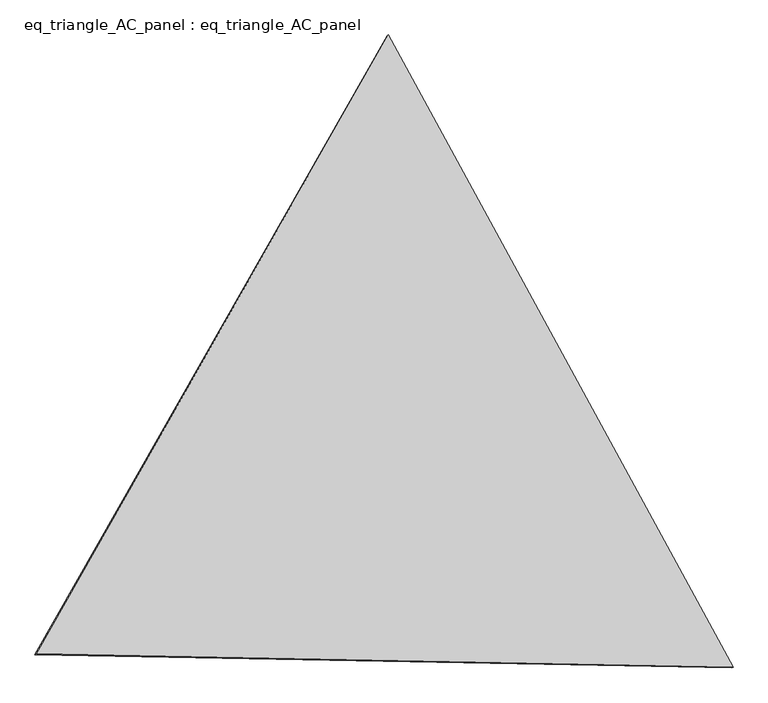
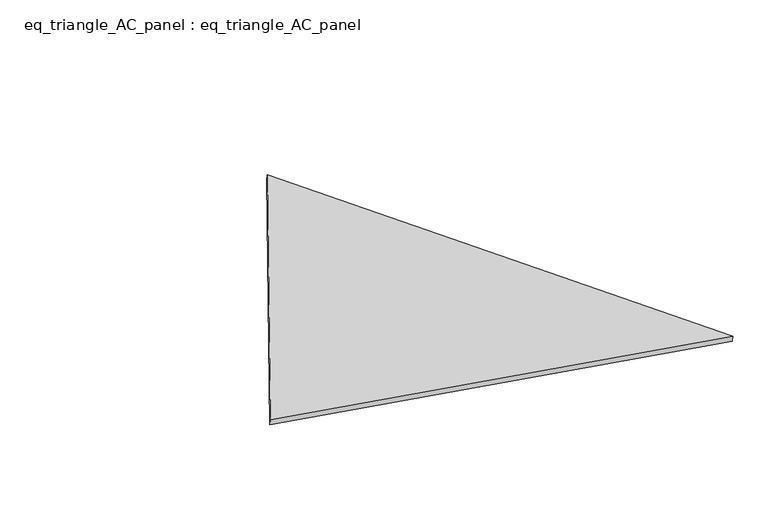
"""IFC4 building model written with IfcOpenShell, lengths in millimetres: proxy geometry, eq_triangle_AC_panel : eq_triangle_AC_panel."""

from ifc_helpers import new_model, si_unit, frame, origin, place, context, project, spatial, polyline, outline, extrude, source, transform, mapped, element, save


def eq_triangle_ac_panel_eq_triangle_ac_panel_c97a04f5(model_context):
    return source(origin(), model_context, "Body", "SweptSolid", [
        extrude(outline(polyline([(-2091.267828, 1173.1712294), (2032.847065, 1173.1712294), (58.420763, -2346.342459), (-2091.267828, 1173.1712294)])), frame((-6.3631761, 524.2531996, 46.6143561), z_axis=(0.14526328518058182, 0.08386570281802194, 0.9858321976225894), x_axis=(0.47859711926687654, -0.8780247070052042, 0.004172687128529804)), (0.0, 0.0, 1.0), 43.8306294),
    ])


if __name__ == "__main__":
    model = new_model("IFC4")
    model_context = context("Model", 3, world=origin())
    ifc_project = project(units=[si_unit("LENGTHUNIT", "METRE", prefix="MILLI")], contexts=[model_context])
    site = spatial("IfcSite", under=ifc_project)
    building = spatial("IfcBuilding", under=site)
    placement = place(None, origin())
    eq_triangle_ac_panel_eq_triangle_ac_panel_shape = eq_triangle_ac_panel_eq_triangle_ac_panel_c97a04f5(model_context)
    element("IfcBuildingElementProxy", 1, Name="eq_triangle_AC_panel : eq_triangle_AC_panel", ObjectType="eq_triangle_AC_panel : eq_triangle_AC_panel", at=placement, inside=building, context=model_context, shape_type="MappedRepresentation", body=[
        mapped(eq_triangle_ac_panel_eq_triangle_ac_panel_shape, transform((0.0, 0.0, 0.0), x_axis=(1.0, 0.0, 0.0), y_axis=(0.0, 1.0, 0.0), z_axis=(0.0, 0.0, 1.0))),
    ])
    save(model, "model.ifc")
